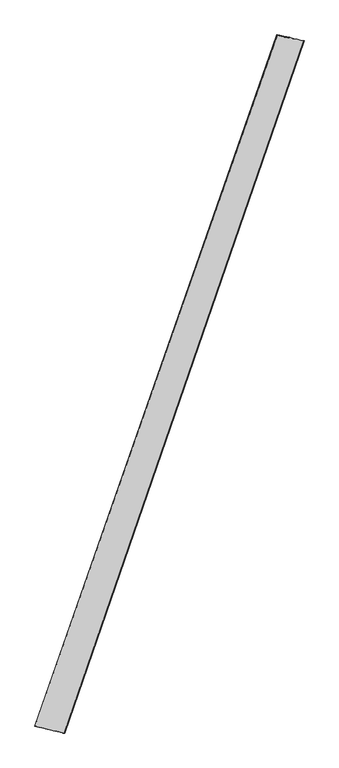
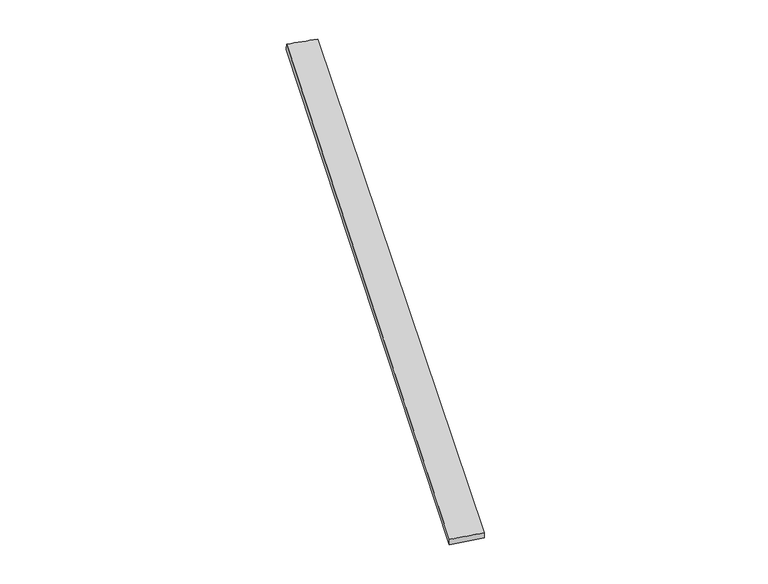
"""IFC4 building model written with IfcOpenShell, lengths in millimetres: proxy geometry."""

from ifc_helpers import new_model, si_unit, origin, place, context, project, spatial, source, transform, mapped, element, save
from ifc_brep_helpers import spline_surface, advanced_brep


def generic_models_641dfc8b(model_context):
    return source(origin(), model_context, "Body", "AdvancedBrep", [
        advanced_brep(
        [(-675.859453, -1712.177281, -1.5678437), (-675.8408975, -1712.2093902, 28.4321334), (670.3924521, 2126.894183, 31.5916249), (667.8770238, 2127.7999296, 1.7109916), (-512.1687638, -1749.4265163, 31.5472643), (817.5704323, 2094.7480784, 28.2441199), (-511.136919, -1749.8091633, 1.5674564), (819.1193483, 2094.1865147, -1.7106043)],
        [
            (0, 1),
            (1, 2),
            (2, 3),
            (3, 0),
            (1, 4),
            (4, 5),
            (5, 2),
            (4, 6),
            (6, 7),
            (7, 5),
            (6, 0),
            (3, 7),
        ],
        [
            spline_surface(1, 1, [[(-675.859453, -1712.177281, -1.5678437), (667.8770238, 2127.7999296, 1.7109916)], [(-675.8408975, -1712.2093902, 28.4321334), (670.3924521, 2126.894183, 31.5916249)]], [2, 2], [2, 2], [0.0, 1.0], [0.0, 1.0]),
            spline_surface(1, 1, [[(-675.8408975, -1712.2093902, 28.4321334), (670.3924521, 2126.894183, 31.5916249)], [(-512.1687638, -1749.4265163, 31.5472643), (817.5704323, 2094.7480784, 28.2441199)]], [2, 2], [2, 2], [0.0, 1.0], [0.0, 1.0]),
            spline_surface(1, 1, [[(-512.1687638, -1749.4265163, 31.5472643), (817.5704323, 2094.7480784, 28.2441199)], [(-511.136919, -1749.8091633, 1.5674564), (819.1193483, 2094.1865147, -1.7106043)]], [2, 2], [2, 2], [0.0, 1.0], [0.0, 1.0]),
            spline_surface(1, 1, [[(-511.136919, -1749.8091633, 1.5674564), (819.1193483, 2094.1865147, -1.7106043)], [(-675.859453, -1712.177281, -1.5678437), (667.8770238, 2127.7999296, 1.7109916)]], [2, 2], [2, 2], [0.0, 1.0], [0.0, 1.0]),
            spline_surface(1, 1, [[(670.3924521, 2126.894183, 31.5916249), (667.8770238, 2127.7999296, 1.7109916)], [(817.5704323, 2094.7480784, 28.2441199), (819.1193483, 2094.1865147, -1.7106043)]], [2, 2], [2, 2], [0.0, 1.0], [0.0, 1.0]),
            spline_surface(1, 1, [[(-511.136919, -1749.8091633, 1.5674564), (-675.859453, -1712.177281, -1.5678437)], [(-512.1687638, -1749.4265163, 31.5472643), (-675.8408975, -1712.2093902, 28.4321334)]], [2, 2], [2, 2], [0.0, 1.0], [0.0, 1.0]),
        ],
        [
            (0, [[1, 2, 3, 4]]),
            (1, [[5, 6, 7, -2]]),
            (2, [[8, 9, 10, -6]]),
            (3, [[11, -4, 12, -9]]),
            (4, [[-3, -7, -10, -12]]),
            (5, [[-11, -8, -5, -1]]),
        ],
    ),
    ])


if __name__ == "__main__":
    model = new_model("IFC4")
    model_context = context("Model", 3, world=origin())
    ifc_project = project(units=[si_unit("LENGTHUNIT", "METRE", prefix="MILLI")], contexts=[model_context])
    site = spatial("IfcSite", under=ifc_project)
    building = spatial("IfcBuilding", under=site)
    placement = place(None, origin())
    generic_models_shape = generic_models_641dfc8b(model_context)
    element("IfcBuildingElementProxy", 1, Name="Generic Models", at=placement, inside=building, context=model_context, shape_type="MappedRepresentation", body=[
        mapped(generic_models_shape, transform((0.0, 0.0, 0.0), x_axis=(1.0, 0.0, 0.0), y_axis=(0.0, 1.0, 0.0), z_axis=(0.0, 0.0, 1.0))),
    ])
    save(model, "model.ifc")
